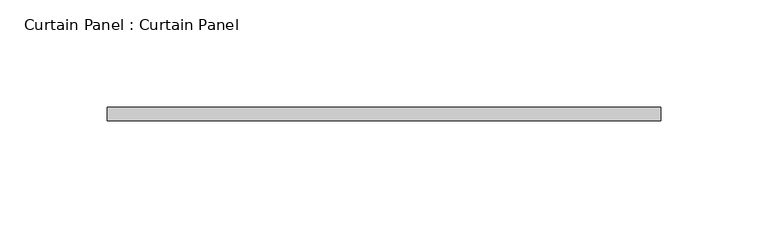
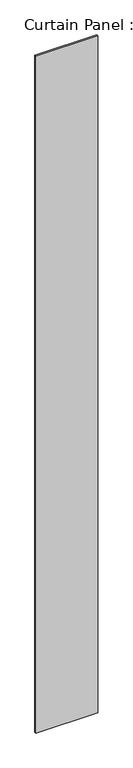
"""IFC4 building model written with IfcOpenShell, lengths in millimetres: plate geometry, Curtain Panel : Curtain Panel."""

from ifc_helpers import new_model, si_unit, origin, origin_with_axes, place, context, project, spatial, polyline, outline, extrude, source, transform, mapped, element, save


def curtain_panel_curtain_panel_71fcceaf(model_context):
    return source(origin(), model_context, "Body", "SweptSolid", [
        extrude(outline(polyline([(-149455.9119606, 8077.8933953), (-149714.6744606, 8077.8933953), (-149714.6744606, 8084.2433953), (-149455.9119606, 8084.2433953), (-149455.9119606, 8077.8933953)])), origin_with_axes(), (0.0, 0.0, 1.0), 2990.85),
    ])


if __name__ == "__main__":
    model = new_model("IFC4")
    model_context = context("Model", 3, world=origin())
    ifc_project = project(units=[si_unit("LENGTHUNIT", "METRE", prefix="MILLI")], contexts=[model_context])
    site = spatial("IfcSite", under=ifc_project)
    building = spatial("IfcBuilding", under=site)
    placement = place(None, origin())
    curtain_panel_curtain_panel_shape = curtain_panel_curtain_panel_71fcceaf(model_context)
    element("IfcPlate", 1, ObjectType="Curtain Panel : Curtain Panel", at=placement, inside=building, context=model_context, shape_type="MappedRepresentation", body=[
        mapped(curtain_panel_curtain_panel_shape, transform((0.0, 0.0, 0.0), x_axis=(1.0, 0.0, 0.0), y_axis=(0.0, 1.0, 0.0), z_axis=(0.0, 0.0, 1.0))),
    ])
    save(model, "model.ifc")
